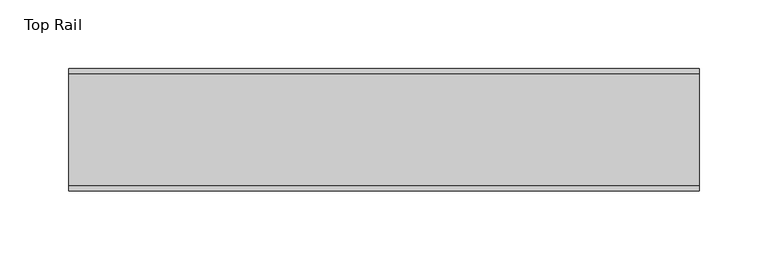
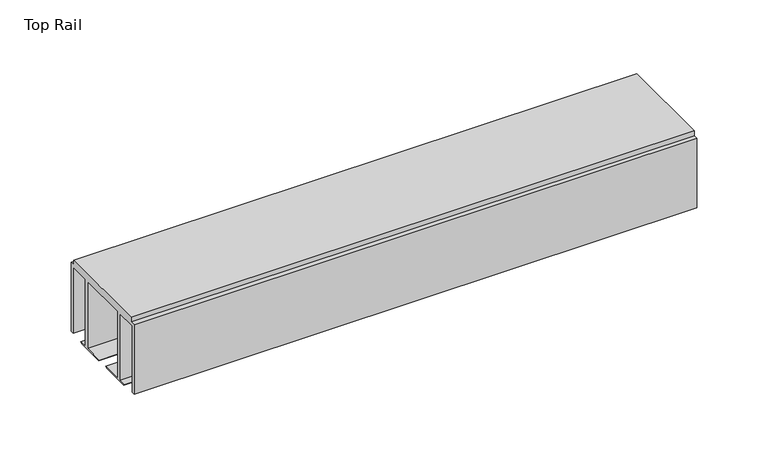
"""IFC4 building model written with IfcOpenShell, lengths in millimetres: furniture geometry, Top Rail."""

from ifc_helpers import new_model, si_unit, frame, origin, place, context, project, spatial, polyline, outline, extrude, source, transform, mapped, element, save


def top_rail_d9d5527d(model_context):
    return source(origin(), model_context, "Body", "SweptSolid", [
        extrude(outline(polyline([(59.951805, -4.0000001), (59.951805, -63.5), (57.1518064, -63.5), (57.1518064, -6.6000002), (39.7518058, -6.6000002), (39.7518058, -63.9424102), (46.1177636, -63.9424102), (44.9726737, -65.0875), (21.086411, -65.0875), (19.9413211, -63.9424102), (36.4518057, -63.9424102), (36.4518057, -6.6000002), (-5.4481956, -6.6000002), (-5.4481956, -63.9424102), (11.062289, -63.9424102), (9.9171991, -65.0875), (-13.9690637, -65.0875), (-15.1141535, -63.9424102), (-8.7481957, -63.9424102), (-8.7481957, -6.6000002), (-26.1481963, -6.6000002), (-26.1481963, -63.5), (-28.948195, -63.5), (-28.948195, -4.0000001), (-24.9481962, -4.0000001), (-24.9481962, 0.0), (55.9518063, 0.0), (55.9518063, -4.0000001), (59.951805, -4.0000001)])), frame((-198.6228469, 0.0, 0.0), z_axis=(1.0, 0.0, 0.0), x_axis=(0.0, 1.0, 0.0)), (0.0, 0.0, 1.0), 457.2),
    ])


if __name__ == "__main__":
    model = new_model("IFC4")
    model_context = context("Model", 3, world=origin())
    ifc_project = project(units=[si_unit("LENGTHUNIT", "METRE", prefix="MILLI")], contexts=[model_context])
    site = spatial("IfcSite", under=ifc_project)
    building = spatial("IfcBuilding", under=site)
    placement = place(None, origin())
    top_rail_shape = top_rail_d9d5527d(model_context)
    element("IfcFurniture", 1, ObjectType="Top Rail", at=placement, inside=building, context=model_context, shape_type="MappedRepresentation", body=[
        mapped(top_rail_shape, transform((0.0, 0.0, 0.0), x_axis=(1.0, 0.0, 0.0), y_axis=(0.0, 1.0, 0.0), z_axis=(0.0, 0.0, 1.0))),
    ])
    save(model, "model.ifc")
